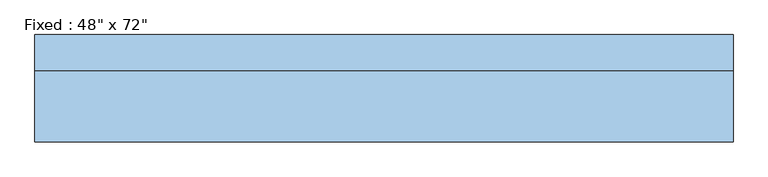
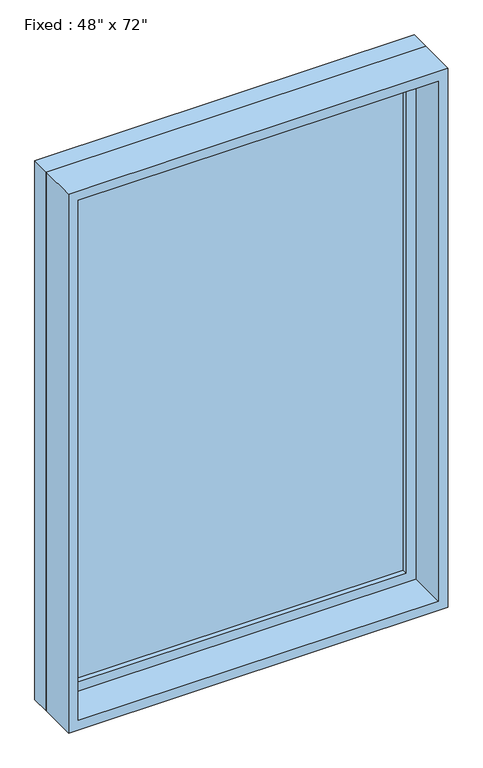
"""IFC4 building model written with IfcOpenShell, lengths in millimetres: window geometry."""

import ifcopenshell
import ifcopenshell.guid

model = None  # the IFC model being written
_history = None  # IfcOwnerHistory: only IFC2X3 demands one
_inside = {}  # id of a spatial element -> (the spatial element, [elements in it])
_under = {}  # id of a project, library or spatial element -> (it, [spatial elements below it])
_declared = {}  # id of a project -> (the project, [libraries it declares])
_typed = {}  # id of a type object -> (the type object, [elements of that type])
_made_of = {}  # id of a material, layer set ... -> (it, [elements and type objects made of it])


def new_model(schema):
    """Start an empty IFC model of exactly this schema.

    Asked for "IFC4X3", IfcOpenShell would pick the latest addendum, in which some entities
    have other attributes; the version numbers below select the first issue.
    IFC2X3 requires an IfcOwnerHistory on every rooted entity: one is made here for all.
    """
    global model, _history
    if schema == "IFC4X3":
        model = ifcopenshell.file(schema_version=(4, 3, 0, 0))
    else:
        model = ifcopenshell.file(schema=schema)
    _inside.clear()
    _under.clear()
    _declared.clear()
    _typed.clear()
    _made_of.clear()
    _history = None
    if model.schema == "IFC2X3":
        org = make("IfcOrganization", Name="unknown")
        user = make(
            "IfcPersonAndOrganization",
            ThePerson=make("IfcPerson", FamilyName="unknown"),
            TheOrganization=org,
        )
        app = make(
            "IfcApplication",
            ApplicationDeveloper=org,
            Version="unknown",
            ApplicationFullName="unknown",
            ApplicationIdentifier="unknown",
        )
        _history = make(
            "IfcOwnerHistory",
            OwningUser=user,
            OwningApplication=app,
            ChangeAction="ADDED",
            CreationDate=0,
        )
    return model


def make(cls, **values):
    """One entity of the class cls with the attributes given. An attribute that is None is left unset."""
    return model.create_entity(
        cls, **{name: value for name, value in values.items() if value is not None}
    )


def rooted(cls, **values):
    """An entity with a GlobalId (a new one), such as an element, a storey or a relation."""
    return make(cls, GlobalId=ifcopenshell.guid.new(), OwnerHistory=_history, **values)


def si_unit(unit_type, name, prefix=None):
    """IfcSIUnit, for example si_unit("LENGTHUNIT", "METRE", prefix="MILLI")."""
    return make("IfcSIUnit", UnitType=unit_type, Prefix=prefix, Name=name)


def assignment(units):
    """IfcUnitAssignment: the units of a project."""
    return None if units is None else make("IfcUnitAssignment", Units=units)


def point(xyz):
    """IfcCartesianPoint."""
    return None if xyz is None else make("IfcCartesianPoint", Coordinates=xyz)


def direction(xyz):
    """IfcDirection."""
    return None if xyz is None else make("IfcDirection", DirectionRatios=xyz)


def frame(location, z_axis=None, x_axis=None):
    """IfcAxis2Placement3D, a coordinate frame: its origin and axes. An axis left out is left unset."""
    return make(
        "IfcAxis2Placement3D",
        Location=point(location),
        Axis=direction(z_axis),
        RefDirection=direction(x_axis),
    )


def origin():
    """The frame at (0, 0, 0) with its axes left unset."""
    return frame((0.0, 0.0, 0.0))


def place(relative_to, where):
    """IfcLocalPlacement: puts the frame where relative to a parent placement (None: the world)."""
    return make(
        "IfcLocalPlacement", PlacementRelTo=relative_to, RelativePlacement=where
    )


def context(
    kind, dimensions, precision=None, world=None, true_north=None, identifier=None
):
    """IfcGeometricRepresentationContext, for example the 3D "Model" context."""
    return make(
        "IfcGeometricRepresentationContext",
        ContextIdentifier=identifier,
        ContextType=kind,
        CoordinateSpaceDimension=dimensions,
        Precision=precision,
        WorldCoordinateSystem=world,
        TrueNorth=true_north,
    )


def project(units=None, contexts=None):
    """IfcProject with its units and contexts."""
    return rooted(
        "IfcProject",
        Name="project",
        RepresentationContexts=contexts,
        UnitsInContext=assignment(units),
    )


def spatial(cls, under=None, at=None, **own):
    """A site, building, storey or space (cls), placed at a placement, below another one or the project."""
    s = rooted(cls, ObjectPlacement=at, **own)
    if under is not None:
        _under.setdefault(under.id(), (under, []))[1].append(s)
    return s


def polyline(points):
    """IfcPolyline through the points."""
    return make("IfcPolyline", Points=[point(p) for p in points])


def outline(outer, holes=None, kind="AREA"):
    """IfcArbitraryClosedProfileDef: a profile drawn as a closed curve; with holes, ...WithVoids."""
    if holes is None:
        return make("IfcArbitraryClosedProfileDef", ProfileType=kind, OuterCurve=outer)
    return make(
        "IfcArbitraryProfileDefWithVoids",
        ProfileType=kind,
        OuterCurve=outer,
        InnerCurves=holes,
    )


def extrude(swept, where, along, depth):
    """IfcExtrudedAreaSolid: the profile swept, set in the frame where, extruded along a direction by depth."""
    return make(
        "IfcExtrudedAreaSolid",
        SweptArea=swept,
        Position=where,
        ExtrudedDirection=direction(along),
        Depth=depth,
    )


def shape(context_of_items, identifier, shape_type, items):
    """IfcShapeRepresentation: the items that make up one representation, for example the "Body"."""
    return make(
        "IfcShapeRepresentation",
        ContextOfItems=context_of_items,
        RepresentationIdentifier=identifier,
        RepresentationType=shape_type,
        Items=items,
    )


def source(mapping_origin, context_of_items, identifier, shape_type, items):
    """IfcRepresentationMap: a shape defined once, which mapped items show again and again."""
    return make(
        "IfcRepresentationMap",
        MappingOrigin=mapping_origin,
        MappedRepresentation=shape(context_of_items, identifier, shape_type, items),
    )


def transform(
    local_origin,
    x_axis=None,
    y_axis=None,
    z_axis=None,
    scale=None,
    scale2=None,
    scale3=None,
    uniform=True,
):
    """IfcCartesianTransformationOperator3D, or its non-uniform kind. x_axis, y_axis, z_axis: its Axis1, 2, 3."""
    if uniform:
        return make(
            "IfcCartesianTransformationOperator3D",
            Axis1=direction(x_axis),
            Axis2=direction(y_axis),
            LocalOrigin=point(local_origin),
            Scale=scale,
            Axis3=direction(z_axis),
        )
    return make(
        "IfcCartesianTransformationOperator3DnonUniform",
        Axis1=direction(x_axis),
        Axis2=direction(y_axis),
        LocalOrigin=point(local_origin),
        Scale=scale,
        Axis3=direction(z_axis),
        Scale2=scale2,
        Scale3=scale3,
    )


def mapped(mapping_source, mapping_target):
    """IfcMappedItem: shows the shape of a source again, moved by a transform."""
    return make(
        "IfcMappedItem", MappingSource=mapping_source, MappingTarget=mapping_target
    )


def made_of(thing, what):
    """Note that an element or type object is made of a material, layer set ...; save() writes the relation."""
    if what is not None:
        _made_of.setdefault(what.id(), (what, []))[1].append(thing)
    return thing


def element(
    cls,
    number,
    at=None,
    inside=None,
    cuts=None,
    type_object=None,
    material=None,
    context=None,
    identifier="Body",
    shape_type=None,
    held_by="IfcProductDefinitionShape",
    body=None,
    shapes=None,
    **own,
):
    """One element of the class cls, such as IfcWall. Its Tag is "e" and its number.

    at: its placement. inside: the storey or other place that contains it. cuts: it is an
    opening in that element (IfcRelVoidsElement). A single representation is given by context,
    identifier, shape_type and body (its items); several are given by shapes. held_by: the class
    of the entity that holds the representations. save() writes the other relations.
    """
    e = rooted(cls, Tag="e%d" % number, ObjectPlacement=at, **own)
    if body is not None:
        shapes = [shape(context, identifier, shape_type, body)]
    if shapes is not None:
        e.Representation = make(held_by, Representations=shapes)
    if inside is not None:
        _inside.setdefault(inside.id(), (inside, []))[1].append(e)
    if cuts is not None:
        rooted(
            "IfcRelVoidsElement", RelatingBuildingElement=cuts, RelatedOpeningElement=e
        )
    if type_object is not None:
        _typed.setdefault(type_object.id(), (type_object, []))[1].append(e)
    return made_of(e, material)


def aggregate(whole, parts):
    """IfcRelAggregates: a whole, such as a stair, and the parts it consists of."""
    return rooted("IfcRelAggregates", RelatingObject=whole, RelatedObjects=parts)


def save(model, path):
    """Write the relations noted so far, then the file.

    IfcRelAggregates (storeys below a building ...), IfcRelContainedInSpatialStructure (elements
    in a storey), IfcRelDefinesByType, IfcRelAssociatesMaterial and IfcRelDeclares: one each for
    every whole, place, type object, material and project.
    """
    for whole, parts in _under.values():
        aggregate(whole, parts)
    for where, things in _inside.values():
        rooted(
            "IfcRelContainedInSpatialStructure",
            RelatedElements=things,
            RelatingStructure=where,
        )
    for kind, things in _typed.values():
        rooted("IfcRelDefinesByType", RelatedObjects=things, RelatingType=kind)
    for what, things in _made_of.values():
        rooted("IfcRelAssociatesMaterial", RelatedObjects=things, RelatingMaterial=what)
    for by, libraries in _declared.values():
        rooted("IfcRelDeclares", RelatingContext=by, RelatedDefinitions=libraries)
    model.write(path)


def window_4a09d99c(model_context):
    return source(origin(), model_context, "Body", "SweptSolid", [
        extrude(outline(polyline([(508.0, 46.0375), (-584.2, 46.0375), (-584.2, 58.7375), (508.0, 58.7375), (508.0, 46.0375)])), frame((0.0, 0.0, 1282.7), z_axis=(0.0, 0.0, 1.0), x_axis=(1.0, 0.0, 0.0)), (0.0, 0.0, 1.0), 1701.8),
        extrude(outline(polyline([(3028.95, -628.65), (1238.25, -628.65), (1238.25, 552.45), (3028.95, 552.45), (3028.95, -628.65)]), holes=[polyline([(2984.5, -584.2), (2984.5, 508.0), (1282.7, 508.0), (1282.7, -584.2), (2984.5, -584.2)])]), frame((0.0, 30.1625, 0.0), z_axis=(0.0, 1.0, 0.0), x_axis=(0.0, 0.0, 1.0)), (0.0, 0.0, 1.0), 44.45),
        extrude(outline(polyline([(3048.0, -647.7), (1219.2, -647.7), (1219.2, 571.5), (3048.0, 571.5), (3048.0, -647.7)]), holes=[polyline([(3016.25, -615.95), (3016.25, 539.75), (1250.95, 539.75), (1250.95, -615.95), (3016.25, -615.95)])]), frame((0.0, -93.6625, 0.0), z_axis=(0.0, 1.0, 0.0), x_axis=(0.0, 0.0, 1.0)), (0.0, 0.0, 1.0), 123.825),
        extrude(outline(polyline([(3048.0, 571.5), (3048.0, -647.7), (1219.2, -647.7), (1219.2, 571.5), (3048.0, 571.5)]), holes=[polyline([(3028.95, 552.45), (1238.25, 552.45), (1238.25, -628.65), (3028.95, -628.65), (3028.95, 552.45)])]), frame((0.0, 30.1625, 0.0), z_axis=(0.0, 1.0, 0.0), x_axis=(0.0, 0.0, 1.0)), (0.0, 0.0, 1.0), 63.5),
    ])


if __name__ == "__main__":
    model = new_model("IFC4")
    model_context = context("Model", 3, world=origin())
    ifc_project = project(units=[si_unit("LENGTHUNIT", "METRE", prefix="MILLI")], contexts=[model_context])
    site = spatial("IfcSite", under=ifc_project)
    building = spatial("IfcBuilding", under=site)
    placement = place(None, origin())
    window_shape = window_4a09d99c(model_context)
    element("IfcWindow", 1, ObjectType="Fixed : 48\" x 72\"", at=placement, inside=building, context=model_context, shape_type="MappedRepresentation", body=[
        mapped(window_shape, transform((0.0, 0.0, 0.0), x_axis=(1.0, 0.0, 0.0), y_axis=(0.0, 1.0, 0.0), z_axis=(0.0, 0.0, 1.0))),
    ])
    save(model, "model.ifc")
